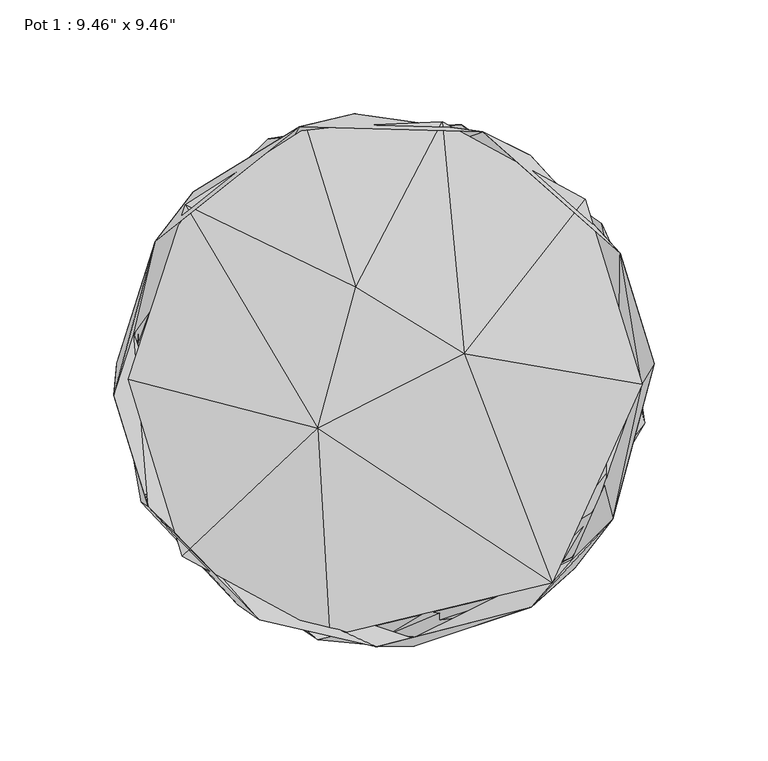
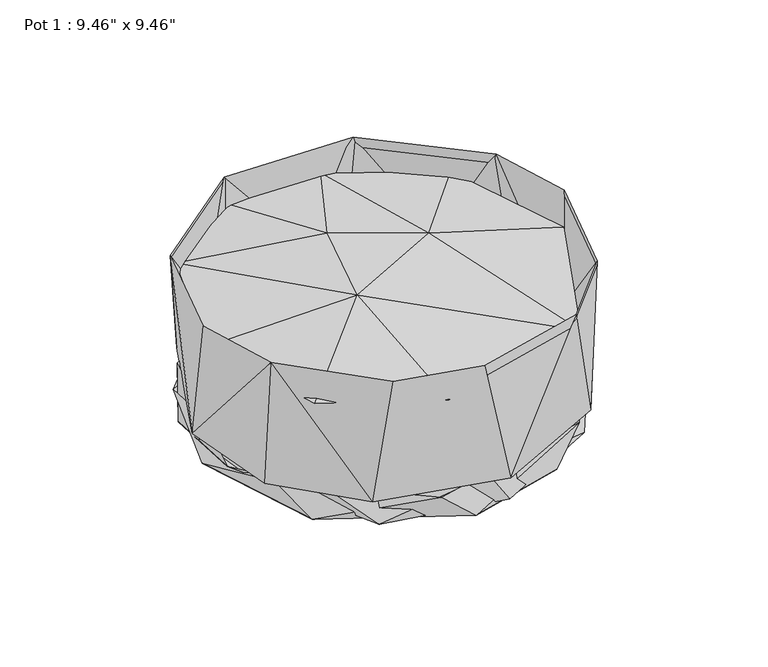
"""IFC4 building model written with IfcOpenShell, lengths in millimetres: furniture geometry."""

from ifc_helpers import new_model, si_unit, origin, place, context, project, spatial, triangles, source, transform, mapped, element, save


def furniture_4b88001e(model_context):
    return source(origin(), model_context, "Body", "Tessellation", [
        triangles([(-13.1200556, 117.140706, 20.6978146), (43.498217, 109.1589348, 102.2909401), (64.31675, 98.8826725, 20.6978146), (26.9148951, 111.152772, 23.5565268), (-37.2414587, 111.3770589, 102.280403), (103.7967167, 55.7674172, 102.1796733), (-64.3159143, -98.8848254, 20.6978146), (13.1199954, -117.1419595, 20.6978146), (-3.5405755, -117.4548856, 102.2930476), (-54.9558389, -105.5470731, 102.2909401), (-103.797616, -55.7692067, 102.1794281), (-106.8938932, -53.8480304, 20.6978146), (12.7239224, -113.6563983, 23.5565268), (-72.6542453, -85.2992538, 23.5565268), (64.7587788, -99.8873714, 102.2584022), (82.8036667, -78.8866274, 23.5565268), (83.8724332, -82.7982437, 20.6978146), (-110.1980792, 20.2696317, 23.5565268), (100.4950378, -61.3540403, 102.1657479), (114.1383093, -7.2042943, 23.5565268), (115.2764575, 6.7690613, 20.6978146), (-117.6406754, 7.4201821, 20.6978146), (118.8852761, 7.0383547, 102.2057618), (92.0661645, 67.8467172, 23.5565268), (-118.9408323, -6.788492, 102.155447), (-100.6479263, 60.9877109, 102.1597799), (-83.8735687, 82.7966904, 20.6978146), (-50.829769, 102.4488793, 23.5565268)], [[1, 2, 3], [4, 2, 5], [3, 2, 6], [7, 8, 9], [7, 9, 10], [7, 10, 11], [7, 11, 12], [13, 14, 9], [13, 9, 15], [13, 15, 16], [8, 17, 15], [8, 15, 9], [14, 10, 9], [14, 11, 10], [14, 18, 11], [16, 15, 19], [16, 19, 20], [17, 19, 15], [17, 21, 19], [12, 11, 22], [20, 19, 23], [20, 23, 6], [20, 6, 24], [22, 11, 25], [22, 25, 26], [22, 26, 27], [18, 26, 25], [18, 25, 11], [18, 28, 26], [21, 23, 19], [21, 6, 23], [21, 3, 6], [27, 5, 1], [27, 26, 5], [24, 2, 4], [24, 6, 2], [28, 5, 26], [28, 4, 5], [1, 5, 2]], closed=False),
        triangles([(73.9023704, -89.1246835, 81.5537611), (35.3478787, 11.6432903, 99.6733946), (-29.2769671, -21.2548981, 100.5994645), (-112.4598416, 0.2844334, 81.9642012), (-87.5452196, 77.1780017, 82.7148821), (-12.3530625, 40.8440821, 98.5445573), (113.4753229, -1.7999411, 84.3892985), (88.4476263, 79.5814978, 81.1407413), (25.4969607, 113.6199816, 81.7323022), (-34.167289, 110.8648808, 83.0436684), (-88.8490099, -77.5136916, 82.6187125), (-23.9080792, -112.7679351, 83.3351204)], [[1, 2, 3], [4, 3, 5], [3, 2, 6], [3, 6, 5], [7, 8, 2], [2, 9, 6], [2, 8, 9], [6, 10, 5], [6, 9, 10], [11, 12, 3], [11, 3, 4], [12, 1, 3], [1, 7, 2]], closed=False),
        triangles([(-59.6713441, -97.9598727, 3.0986384), (1.934886, -112.0799774, 23.54088), (14.6759154, -113.0986198, 3.3756993), (-81.8528526, -79.8527022, 23.54088), (114.5337248, -3.1509398, 3.1497683), (22.6954829, 112.3955832, 3.1139658), (-106.0809523, 42.7576281, 3.2345949), (-111.4689682, -20.5935241, 13.3791377), (-29.1854733, -114.1685218, 20.6958593), (-8.3178284, -116.1814894, 2.3156612), (72.3863838, -89.9393594, 20.6958593), (-88.5678497, -74.5168905, 2.5861697), (-101.142709, -55.6700213, 20.6958593), (-113.2148464, 4.1058063, 1.208237), (53.032873, -98.7284214, 1.151257), (82.4059802, -78.2755637, 3.5544785), (98.0306261, -54.3645641, 23.54088), (104.2996021, 49.6807112, 2.1015474), (114.609238, -19.0808779, 14.6661594), (-16.1664483, 111.6192316, 1.0775457), (-101.1725037, 57.1278947, 14.6661594), (97.7025665, 57.4750301, 13.3791377), (-92.8537891, 66.7412296, 23.54088), (95.7416306, 68.6978099, 20.6958593), (-39.6366113, 106.1984869, 13.3790208), (-51.0288484, 106.2169087, 20.6958593), (49.6042351, 103.0310385, 23.54088), (34.2034696, 112.2080129, 16.4620243)], [[1, 2, 3], [1, 4, 2], [1, 3, 5], [1, 5, 6], [1, 6, 7], [1, 7, 8], [1, 8, 4], [9, 10, 11], [9, 12, 10], [9, 13, 12], [10, 12, 14], [10, 14, 15], [10, 15, 11], [2, 16, 3], [2, 17, 16], [3, 16, 5], [15, 18, 19], [15, 14, 20], [15, 20, 18], [15, 19, 11], [12, 13, 14], [16, 17, 5], [13, 21, 14], [17, 22, 5], [8, 7, 23], [5, 22, 6], [19, 18, 24], [14, 21, 20], [7, 6, 25], [7, 25, 23], [21, 26, 20], [22, 27, 6], [18, 28, 24], [18, 20, 28], [26, 28, 20], [25, 6, 27]], closed=False),
    ])


if __name__ == "__main__":
    model = new_model("IFC4")
    model_context = context("Model", 3, world=origin())
    ifc_project = project(units=[si_unit("LENGTHUNIT", "METRE", prefix="MILLI")], contexts=[model_context])
    site = spatial("IfcSite", under=ifc_project)
    building = spatial("IfcBuilding", under=site)
    placement = place(None, origin())
    furniture_shape = furniture_4b88001e(model_context)
    element("IfcFurniture", 1, ObjectType="Pot 1 : 9.46\" x 9.46\"", at=placement, inside=building, context=model_context, shape_type="MappedRepresentation", body=[
        mapped(furniture_shape, transform((0.0, 0.0, 0.0), x_axis=(1.0, 0.0, 0.0), y_axis=(0.0, 1.0, 0.0), z_axis=(0.0, 0.0, 1.0))),
    ])
    save(model, "model.ifc")
